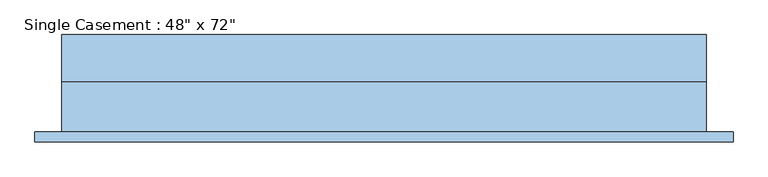
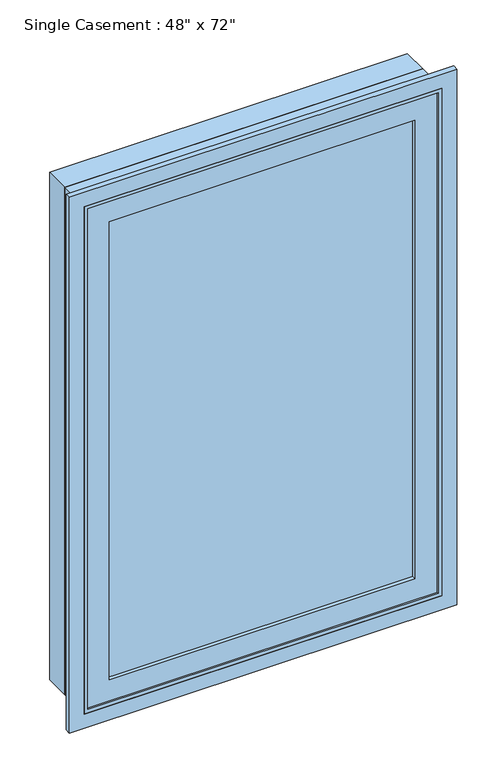
"""IFC4 building model written with IfcOpenShell, lengths in millimetres: window geometry."""

from ifc_helpers import new_model, si_unit, frame, origin, place, context, project, spatial, polyline, outline, extrude, faceted_brep, source, transform, mapped, element, save


def window_35a0f5e9(model_context):
    return source(origin(), model_context, "Body", "SolidModel", [
        extrude(outline(polyline([(863.6, 660.4), (2794.0, 660.4), (2794.0, -660.4), (863.6, -660.4), (863.6, 660.4)]), holes=[polyline([(914.4, 609.6), (914.4, -609.6), (2743.2, -609.6), (2743.2, 609.6), (914.4, 609.6)])]), frame((0.0, -111.125, 0.0), z_axis=(0.0, 1.0, 0.0), x_axis=(0.0, 0.0, 1.0)), (0.0, 0.0, 1.0), 19.05),
        extrude(outline(polyline([(520.7, -92.075), (-520.7, -92.075), (-520.7, -85.725), (520.7, -85.725), (520.7, -92.075)])), frame((0.0, 0.0, 1003.3), z_axis=(0.0, 0.0, 1.0), x_axis=(1.0, 0.0, 0.0)), (0.0, 0.0, 1.0), 1651.0),
        extrude(outline(polyline([(-520.7, -73.025), (520.7, -73.025), (520.7, -79.375), (-520.7, -79.375), (-520.7, -73.025)])), frame((0.0, 0.0, 1003.3), z_axis=(0.0, 0.0, 1.0), x_axis=(1.0, 0.0, 0.0)), (0.0, 0.0, 1.0), 1651.0),
        extrude(outline(polyline([(2730.5, 596.9), (2730.5, -596.9), (927.1, -596.9), (927.1, 596.9), (2730.5, 596.9)]), holes=[polyline([(2654.3, -520.7), (2654.3, 520.7), (1003.3, 520.7), (1003.3, -520.7), (2654.3, -520.7)])]), frame((0.0, -104.775, 0.0), z_axis=(0.0, 1.0, 0.0), x_axis=(0.0, 0.0, 1.0)), (0.0, 0.0, 1.0), 44.45),
        extrude(outline(polyline([(2743.2, -609.6), (914.4, -609.6), (914.4, 609.6), (2743.2, 609.6), (2743.2, -609.6)]), holes=[polyline([(2724.15, 590.55), (933.45, 590.55), (933.45, -590.55), (2724.15, -590.55), (2724.15, 590.55)])]), frame((0.0, 3.175, 0.0), z_axis=(0.0, 1.0, 0.0), x_axis=(0.0, 0.0, 1.0)), (0.0, 0.0, 1.0), 88.9),
        faceted_brep([(577.85, -60.325, 2711.45), (-577.85, -60.325, 2711.45), (-577.85, 3.175, 2711.45), (577.85, 3.175, 2711.45), (596.9, -111.125, 2730.5), (-596.9, -111.125, 2730.5), (-596.9, -60.325, 2730.5), (596.9, -60.325, 2730.5), (609.6, 3.175, 2743.2), (-609.6, 3.175, 2743.2), (-609.6, -111.125, 2743.2), (609.6, -111.125, 2743.2), (-577.85, -60.325, 946.15), (-577.85, 3.175, 946.15), (-596.9, -111.125, 927.1), (-596.9, -60.325, 927.1), (-609.6, 3.175, 914.4), (-609.6, -111.125, 914.4), (577.85, -60.325, 946.15), (577.85, 3.175, 946.15), (596.9, -111.125, 927.1), (596.9, -60.325, 927.1), (609.6, 3.175, 914.4), (609.6, -111.125, 914.4)], [[[0, 1, 2, 3]], [[4, 5, 6, 7]], [[8, 9, 10, 11]], [[1, 12, 13, 2]], [[5, 14, 15, 6]], [[9, 16, 17, 10]], [[12, 18, 19, 13]], [[14, 20, 21, 15]], [[16, 22, 23, 17]], [[9, 8, 22, 16], [3, 2, 13, 19]], [[18, 0, 3, 19]], [[7, 6, 15, 21], [1, 0, 18, 12]], [[20, 4, 7, 21]], [[22, 8, 11, 23]], [[11, 10, 17, 23], [5, 4, 20, 14]]]),
    ])


if __name__ == "__main__":
    model = new_model("IFC4")
    model_context = context("Model", 3, world=origin())
    ifc_project = project(units=[si_unit("LENGTHUNIT", "METRE", prefix="MILLI")], contexts=[model_context])
    site = spatial("IfcSite", under=ifc_project)
    building = spatial("IfcBuilding", under=site)
    placement = place(None, origin())
    window_shape = window_35a0f5e9(model_context)
    element("IfcWindow", 1, ObjectType="Single Casement : 48\" x 72\"", at=placement, inside=building, context=model_context, shape_type="MappedRepresentation", body=[
        mapped(window_shape, transform((0.0, 0.0, 0.0), x_axis=(1.0, 0.0, 0.0), y_axis=(0.0, 1.0, 0.0), z_axis=(0.0, 0.0, 1.0))),
    ])
    save(model, "model.ifc")
